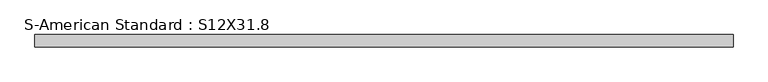
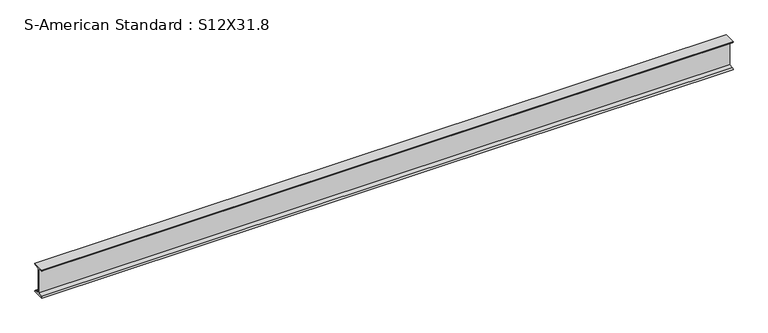
"""IFC4 building model written with IfcOpenShell, lengths in millimetres: beam geometry, S-American Standard : S12X31.8."""

import ifcopenshell
import ifcopenshell.guid

model = None  # the IFC model being written
_history = None  # IfcOwnerHistory: only IFC2X3 demands one
_inside = {}  # id of a spatial element -> (the spatial element, [elements in it])
_under = {}  # id of a project, library or spatial element -> (it, [spatial elements below it])
_declared = {}  # id of a project -> (the project, [libraries it declares])
_typed = {}  # id of a type object -> (the type object, [elements of that type])
_made_of = {}  # id of a material, layer set ... -> (it, [elements and type objects made of it])


def new_model(schema):
    """Start an empty IFC model of exactly this schema.

    Asked for "IFC4X3", IfcOpenShell would pick the latest addendum, in which some entities
    have other attributes; the version numbers below select the first issue.
    IFC2X3 requires an IfcOwnerHistory on every rooted entity: one is made here for all.
    """
    global model, _history
    if schema == "IFC4X3":
        model = ifcopenshell.file(schema_version=(4, 3, 0, 0))
    else:
        model = ifcopenshell.file(schema=schema)
    _inside.clear()
    _under.clear()
    _declared.clear()
    _typed.clear()
    _made_of.clear()
    _history = None
    if model.schema == "IFC2X3":
        org = make("IfcOrganization", Name="unknown")
        user = make(
            "IfcPersonAndOrganization",
            ThePerson=make("IfcPerson", FamilyName="unknown"),
            TheOrganization=org,
        )
        app = make(
            "IfcApplication",
            ApplicationDeveloper=org,
            Version="unknown",
            ApplicationFullName="unknown",
            ApplicationIdentifier="unknown",
        )
        _history = make(
            "IfcOwnerHistory",
            OwningUser=user,
            OwningApplication=app,
            ChangeAction="ADDED",
            CreationDate=0,
        )
    return model


def make(cls, **values):
    """One entity of the class cls with the attributes given. An attribute that is None is left unset."""
    return model.create_entity(
        cls, **{name: value for name, value in values.items() if value is not None}
    )


def rooted(cls, **values):
    """An entity with a GlobalId (a new one), such as an element, a storey or a relation."""
    return make(cls, GlobalId=ifcopenshell.guid.new(), OwnerHistory=_history, **values)


def si_unit(unit_type, name, prefix=None):
    """IfcSIUnit, for example si_unit("LENGTHUNIT", "METRE", prefix="MILLI")."""
    return make("IfcSIUnit", UnitType=unit_type, Prefix=prefix, Name=name)


def assignment(units):
    """IfcUnitAssignment: the units of a project."""
    return None if units is None else make("IfcUnitAssignment", Units=units)


def point(xyz):
    """IfcCartesianPoint."""
    return None if xyz is None else make("IfcCartesianPoint", Coordinates=xyz)


def direction(xyz):
    """IfcDirection."""
    return None if xyz is None else make("IfcDirection", DirectionRatios=xyz)


def frame(location, z_axis=None, x_axis=None):
    """IfcAxis2Placement3D, a coordinate frame: its origin and axes. An axis left out is left unset."""
    return make(
        "IfcAxis2Placement3D",
        Location=point(location),
        Axis=direction(z_axis),
        RefDirection=direction(x_axis),
    )


def frame_2d(location, x_axis=None):
    """IfcAxis2Placement2D, a coordinate frame in the plane: its origin and x axis."""
    return make(
        "IfcAxis2Placement2D", Location=point(location), RefDirection=direction(x_axis)
    )


def origin():
    """The frame at (0, 0, 0) with its axes left unset."""
    return frame((0.0, 0.0, 0.0))


def place(relative_to, where):
    """IfcLocalPlacement: puts the frame where relative to a parent placement (None: the world)."""
    return make(
        "IfcLocalPlacement", PlacementRelTo=relative_to, RelativePlacement=where
    )


def context(
    kind, dimensions, precision=None, world=None, true_north=None, identifier=None
):
    """IfcGeometricRepresentationContext, for example the 3D "Model" context."""
    return make(
        "IfcGeometricRepresentationContext",
        ContextIdentifier=identifier,
        ContextType=kind,
        CoordinateSpaceDimension=dimensions,
        Precision=precision,
        WorldCoordinateSystem=world,
        TrueNorth=true_north,
    )


def project(units=None, contexts=None):
    """IfcProject with its units and contexts."""
    return rooted(
        "IfcProject",
        Name="project",
        RepresentationContexts=contexts,
        UnitsInContext=assignment(units),
    )


def spatial(cls, under=None, at=None, **own):
    """A site, building, storey or space (cls), placed at a placement, below another one or the project."""
    s = rooted(cls, ObjectPlacement=at, **own)
    if under is not None:
        _under.setdefault(under.id(), (under, []))[1].append(s)
    return s


def polyline(points):
    """IfcPolyline through the points."""
    return make("IfcPolyline", Points=[point(p) for p in points])


def circle_curve(where, radius):
    """IfcCircle in the frame where."""
    return make("IfcCircle", Position=where, Radius=radius)


def trimmed(basis, trim1, trim2, sense, master):
    """IfcTrimmedCurve: the piece of a basis curve between two trims."""
    return make(
        "IfcTrimmedCurve",
        BasisCurve=basis,
        Trim1=trim1,
        Trim2=trim2,
        SenseAgreement=sense,
        MasterRepresentation=master,
    )


def segment(curve, same_sense, transition):
    """IfcCompositeCurveSegment."""
    return make(
        "IfcCompositeCurveSegment",
        Transition=transition,
        SameSense=same_sense,
        ParentCurve=curve,
    )


def composite_curve(segments, self_intersect=None):
    """IfcCompositeCurve: segments joined end to end."""
    return make("IfcCompositeCurve", Segments=segments, SelfIntersect=self_intersect)


def outline(outer, holes=None, kind="AREA"):
    """IfcArbitraryClosedProfileDef: a profile drawn as a closed curve; with holes, ...WithVoids."""
    if holes is None:
        return make("IfcArbitraryClosedProfileDef", ProfileType=kind, OuterCurve=outer)
    return make(
        "IfcArbitraryProfileDefWithVoids",
        ProfileType=kind,
        OuterCurve=outer,
        InnerCurves=holes,
    )


def extrude(swept, where, along, depth):
    """IfcExtrudedAreaSolid: the profile swept, set in the frame where, extruded along a direction by depth."""
    return make(
        "IfcExtrudedAreaSolid",
        SweptArea=swept,
        Position=where,
        ExtrudedDirection=direction(along),
        Depth=depth,
    )


def shape(context_of_items, identifier, shape_type, items):
    """IfcShapeRepresentation: the items that make up one representation, for example the "Body"."""
    return make(
        "IfcShapeRepresentation",
        ContextOfItems=context_of_items,
        RepresentationIdentifier=identifier,
        RepresentationType=shape_type,
        Items=items,
    )


def source(mapping_origin, context_of_items, identifier, shape_type, items):
    """IfcRepresentationMap: a shape defined once, which mapped items show again and again."""
    return make(
        "IfcRepresentationMap",
        MappingOrigin=mapping_origin,
        MappedRepresentation=shape(context_of_items, identifier, shape_type, items),
    )


def transform(
    local_origin,
    x_axis=None,
    y_axis=None,
    z_axis=None,
    scale=None,
    scale2=None,
    scale3=None,
    uniform=True,
):
    """IfcCartesianTransformationOperator3D, or its non-uniform kind. x_axis, y_axis, z_axis: its Axis1, 2, 3."""
    if uniform:
        return make(
            "IfcCartesianTransformationOperator3D",
            Axis1=direction(x_axis),
            Axis2=direction(y_axis),
            LocalOrigin=point(local_origin),
            Scale=scale,
            Axis3=direction(z_axis),
        )
    return make(
        "IfcCartesianTransformationOperator3DnonUniform",
        Axis1=direction(x_axis),
        Axis2=direction(y_axis),
        LocalOrigin=point(local_origin),
        Scale=scale,
        Axis3=direction(z_axis),
        Scale2=scale2,
        Scale3=scale3,
    )


def mapped(mapping_source, mapping_target):
    """IfcMappedItem: shows the shape of a source again, moved by a transform."""
    return make(
        "IfcMappedItem", MappingSource=mapping_source, MappingTarget=mapping_target
    )


def made_of(thing, what):
    """Note that an element or type object is made of a material, layer set ...; save() writes the relation."""
    if what is not None:
        _made_of.setdefault(what.id(), (what, []))[1].append(thing)
    return thing


def element(
    cls,
    number,
    at=None,
    inside=None,
    cuts=None,
    type_object=None,
    material=None,
    context=None,
    identifier="Body",
    shape_type=None,
    held_by="IfcProductDefinitionShape",
    body=None,
    shapes=None,
    **own,
):
    """One element of the class cls, such as IfcWall. Its Tag is "e" and its number.

    at: its placement. inside: the storey or other place that contains it. cuts: it is an
    opening in that element (IfcRelVoidsElement). A single representation is given by context,
    identifier, shape_type and body (its items); several are given by shapes. held_by: the class
    of the entity that holds the representations. save() writes the other relations.
    """
    e = rooted(cls, Tag="e%d" % number, ObjectPlacement=at, **own)
    if body is not None:
        shapes = [shape(context, identifier, shape_type, body)]
    if shapes is not None:
        e.Representation = make(held_by, Representations=shapes)
    if inside is not None:
        _inside.setdefault(inside.id(), (inside, []))[1].append(e)
    if cuts is not None:
        rooted(
            "IfcRelVoidsElement", RelatingBuildingElement=cuts, RelatedOpeningElement=e
        )
    if type_object is not None:
        _typed.setdefault(type_object.id(), (type_object, []))[1].append(e)
    return made_of(e, material)


def aggregate(whole, parts):
    """IfcRelAggregates: a whole, such as a stair, and the parts it consists of."""
    return rooted("IfcRelAggregates", RelatingObject=whole, RelatedObjects=parts)


def save(model, path):
    """Write the relations noted so far, then the file.

    IfcRelAggregates (storeys below a building ...), IfcRelContainedInSpatialStructure (elements
    in a storey), IfcRelDefinesByType, IfcRelAssociatesMaterial and IfcRelDeclares: one each for
    every whole, place, type object, material and project.
    """
    for whole, parts in _under.values():
        aggregate(whole, parts)
    for where, things in _inside.values():
        rooted(
            "IfcRelContainedInSpatialStructure",
            RelatedElements=things,
            RelatingStructure=where,
        )
    for kind, things in _typed.values():
        rooted("IfcRelDefinesByType", RelatedObjects=things, RelatingType=kind)
    for what, things in _made_of.values():
        rooted("IfcRelAssociatesMaterial", RelatedObjects=things, RelatingMaterial=what)
    for by, libraries in _declared.values():
        rooted("IfcRelDeclares", RelatingContext=by, RelatedDefinitions=libraries)
    model.write(path)


def s_american_standard_s12x31_8_2bba2f05(model_context):
    return source(origin(), model_context, "Body", "SweptSolid", [
        extrude(outline(composite_curve([segment(polyline([(-63.5, 152.4), (63.5, 152.4)]), True, "CONTINUOUS"), segment(trimmed(circle_curve(frame_2d((49.7, 152.4)), 13.8), [point((63.5, 152.4))], [point((49.7, 138.6))], False, "CARTESIAN"), True, "CONTINUOUS"), segment(polyline([(49.7, 138.6), (4.45, 131.4331041), (4.45, -131.4331041), (49.7, -138.6)]), True, "CONTINUOUS"), segment(trimmed(circle_curve(frame_2d((49.7, -152.4)), 13.8), [point((49.7, -138.6))], [point((63.5, -152.4))], False, "CARTESIAN"), True, "CONTINUOUS"), segment(polyline([(63.5, -152.4), (-63.5, -152.4)]), True, "CONTINUOUS"), segment(trimmed(circle_curve(frame_2d((-49.7, -152.4)), 13.8), [point((-63.5, -152.4))], [point((-49.7, -138.6))], False, "CARTESIAN"), True, "CONTINUOUS"), segment(polyline([(-49.7, -138.6), (-4.45, -131.4331041), (-4.45, 131.4331041), (-49.7, 138.6)]), True, "CONTINUOUS"), segment(trimmed(circle_curve(frame_2d((-49.7, 152.4)), 13.8), [point((-49.7, 138.6))], [point((-63.5, 152.4))], False, "CARTESIAN"), True, "CONTINUOUS")], self_intersect=False)), frame((-2863.0075817, 0.0, 0.0), z_axis=(1.0, 0.0, 0.0), x_axis=(0.0, 1.0, 0.0)), (0.0, 0.0, 1.0), 7172.067901),
    ])


if __name__ == "__main__":
    model = new_model("IFC4")
    model_context = context("Model", 3, world=origin())
    ifc_project = project(units=[si_unit("LENGTHUNIT", "METRE", prefix="MILLI")], contexts=[model_context])
    site = spatial("IfcSite", under=ifc_project)
    building = spatial("IfcBuilding", under=site)
    placement = place(None, origin())
    s_american_standard_s12x31_8_shape = s_american_standard_s12x31_8_2bba2f05(model_context)
    element("IfcBeam", 1, ObjectType="S-American Standard : S12X31.8", at=placement, inside=building, context=model_context, shape_type="MappedRepresentation", body=[
        mapped(s_american_standard_s12x31_8_shape, transform((0.0, 0.0, 0.0), x_axis=(1.0, 0.0, 0.0), y_axis=(0.0, 1.0, 0.0), z_axis=(0.0, 0.0, 1.0))),
    ])
    save(model, "model.ifc")
